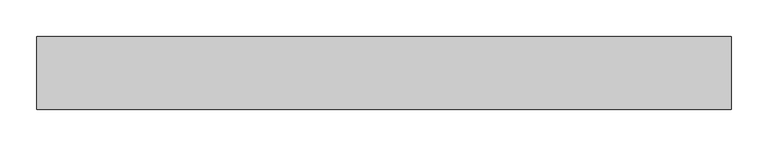
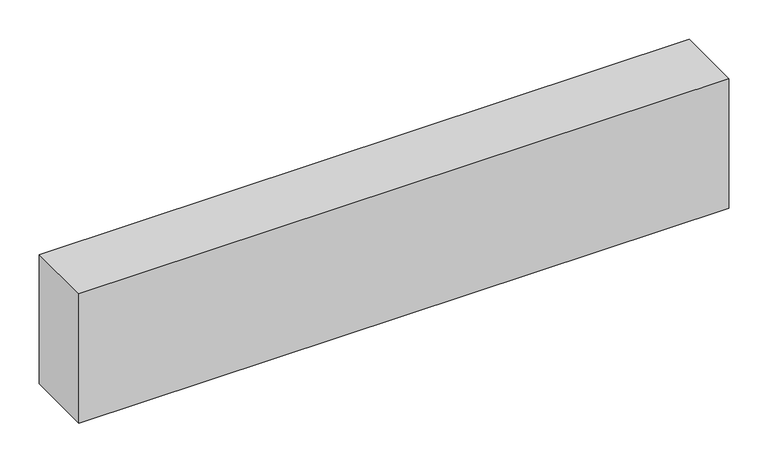
"""IFC4 building model written with IfcOpenShell, lengths in millimetres: plate geometry."""

import ifcopenshell
import ifcopenshell.guid

model = None  # the IFC model being written
_history = None  # IfcOwnerHistory: only IFC2X3 demands one
_inside = {}  # id of a spatial element -> (the spatial element, [elements in it])
_under = {}  # id of a project, library or spatial element -> (it, [spatial elements below it])
_declared = {}  # id of a project -> (the project, [libraries it declares])
_typed = {}  # id of a type object -> (the type object, [elements of that type])
_made_of = {}  # id of a material, layer set ... -> (it, [elements and type objects made of it])


def new_model(schema):
    """Start an empty IFC model of exactly this schema.

    Asked for "IFC4X3", IfcOpenShell would pick the latest addendum, in which some entities
    have other attributes; the version numbers below select the first issue.
    IFC2X3 requires an IfcOwnerHistory on every rooted entity: one is made here for all.
    """
    global model, _history
    if schema == "IFC4X3":
        model = ifcopenshell.file(schema_version=(4, 3, 0, 0))
    else:
        model = ifcopenshell.file(schema=schema)
    _inside.clear()
    _under.clear()
    _declared.clear()
    _typed.clear()
    _made_of.clear()
    _history = None
    if model.schema == "IFC2X3":
        org = make("IfcOrganization", Name="unknown")
        user = make(
            "IfcPersonAndOrganization",
            ThePerson=make("IfcPerson", FamilyName="unknown"),
            TheOrganization=org,
        )
        app = make(
            "IfcApplication",
            ApplicationDeveloper=org,
            Version="unknown",
            ApplicationFullName="unknown",
            ApplicationIdentifier="unknown",
        )
        _history = make(
            "IfcOwnerHistory",
            OwningUser=user,
            OwningApplication=app,
            ChangeAction="ADDED",
            CreationDate=0,
        )
    return model


def make(cls, **values):
    """One entity of the class cls with the attributes given. An attribute that is None is left unset."""
    return model.create_entity(
        cls, **{name: value for name, value in values.items() if value is not None}
    )


def rooted(cls, **values):
    """An entity with a GlobalId (a new one), such as an element, a storey or a relation."""
    return make(cls, GlobalId=ifcopenshell.guid.new(), OwnerHistory=_history, **values)


def si_unit(unit_type, name, prefix=None):
    """IfcSIUnit, for example si_unit("LENGTHUNIT", "METRE", prefix="MILLI")."""
    return make("IfcSIUnit", UnitType=unit_type, Prefix=prefix, Name=name)


def assignment(units):
    """IfcUnitAssignment: the units of a project."""
    return None if units is None else make("IfcUnitAssignment", Units=units)


def point(xyz):
    """IfcCartesianPoint."""
    return None if xyz is None else make("IfcCartesianPoint", Coordinates=xyz)


def direction(xyz):
    """IfcDirection."""
    return None if xyz is None else make("IfcDirection", DirectionRatios=xyz)


def frame(location, z_axis=None, x_axis=None):
    """IfcAxis2Placement3D, a coordinate frame: its origin and axes. An axis left out is left unset."""
    return make(
        "IfcAxis2Placement3D",
        Location=point(location),
        Axis=direction(z_axis),
        RefDirection=direction(x_axis),
    )


def origin():
    """The frame at (0, 0, 0) with its axes left unset."""
    return frame((0.0, 0.0, 0.0))


def origin_with_axes():
    """The frame at (0, 0, 0) with the z axis (0, 0, 1) and the x axis (1, 0, 0) written out."""
    return frame((0.0, 0.0, 0.0), z_axis=(0.0, 0.0, 1.0), x_axis=(1.0, 0.0, 0.0))


def place(relative_to, where):
    """IfcLocalPlacement: puts the frame where relative to a parent placement (None: the world)."""
    return make(
        "IfcLocalPlacement", PlacementRelTo=relative_to, RelativePlacement=where
    )


def context(
    kind, dimensions, precision=None, world=None, true_north=None, identifier=None
):
    """IfcGeometricRepresentationContext, for example the 3D "Model" context."""
    return make(
        "IfcGeometricRepresentationContext",
        ContextIdentifier=identifier,
        ContextType=kind,
        CoordinateSpaceDimension=dimensions,
        Precision=precision,
        WorldCoordinateSystem=world,
        TrueNorth=true_north,
    )


def project(units=None, contexts=None):
    """IfcProject with its units and contexts."""
    return rooted(
        "IfcProject",
        Name="project",
        RepresentationContexts=contexts,
        UnitsInContext=assignment(units),
    )


def spatial(cls, under=None, at=None, **own):
    """A site, building, storey or space (cls), placed at a placement, below another one or the project."""
    s = rooted(cls, ObjectPlacement=at, **own)
    if under is not None:
        _under.setdefault(under.id(), (under, []))[1].append(s)
    return s


def polyline(points):
    """IfcPolyline through the points."""
    return make("IfcPolyline", Points=[point(p) for p in points])


def outline(outer, holes=None, kind="AREA"):
    """IfcArbitraryClosedProfileDef: a profile drawn as a closed curve; with holes, ...WithVoids."""
    if holes is None:
        return make("IfcArbitraryClosedProfileDef", ProfileType=kind, OuterCurve=outer)
    return make(
        "IfcArbitraryProfileDefWithVoids",
        ProfileType=kind,
        OuterCurve=outer,
        InnerCurves=holes,
    )


def extrude(swept, where, along, depth):
    """IfcExtrudedAreaSolid: the profile swept, set in the frame where, extruded along a direction by depth."""
    return make(
        "IfcExtrudedAreaSolid",
        SweptArea=swept,
        Position=where,
        ExtrudedDirection=direction(along),
        Depth=depth,
    )


def shape(context_of_items, identifier, shape_type, items):
    """IfcShapeRepresentation: the items that make up one representation, for example the "Body"."""
    return make(
        "IfcShapeRepresentation",
        ContextOfItems=context_of_items,
        RepresentationIdentifier=identifier,
        RepresentationType=shape_type,
        Items=items,
    )


def source(mapping_origin, context_of_items, identifier, shape_type, items):
    """IfcRepresentationMap: a shape defined once, which mapped items show again and again."""
    return make(
        "IfcRepresentationMap",
        MappingOrigin=mapping_origin,
        MappedRepresentation=shape(context_of_items, identifier, shape_type, items),
    )


def transform(
    local_origin,
    x_axis=None,
    y_axis=None,
    z_axis=None,
    scale=None,
    scale2=None,
    scale3=None,
    uniform=True,
):
    """IfcCartesianTransformationOperator3D, or its non-uniform kind. x_axis, y_axis, z_axis: its Axis1, 2, 3."""
    if uniform:
        return make(
            "IfcCartesianTransformationOperator3D",
            Axis1=direction(x_axis),
            Axis2=direction(y_axis),
            LocalOrigin=point(local_origin),
            Scale=scale,
            Axis3=direction(z_axis),
        )
    return make(
        "IfcCartesianTransformationOperator3DnonUniform",
        Axis1=direction(x_axis),
        Axis2=direction(y_axis),
        LocalOrigin=point(local_origin),
        Scale=scale,
        Axis3=direction(z_axis),
        Scale2=scale2,
        Scale3=scale3,
    )


def mapped(mapping_source, mapping_target):
    """IfcMappedItem: shows the shape of a source again, moved by a transform."""
    return make(
        "IfcMappedItem", MappingSource=mapping_source, MappingTarget=mapping_target
    )


def made_of(thing, what):
    """Note that an element or type object is made of a material, layer set ...; save() writes the relation."""
    if what is not None:
        _made_of.setdefault(what.id(), (what, []))[1].append(thing)
    return thing


def element(
    cls,
    number,
    at=None,
    inside=None,
    cuts=None,
    type_object=None,
    material=None,
    context=None,
    identifier="Body",
    shape_type=None,
    held_by="IfcProductDefinitionShape",
    body=None,
    shapes=None,
    **own,
):
    """One element of the class cls, such as IfcWall. Its Tag is "e" and its number.

    at: its placement. inside: the storey or other place that contains it. cuts: it is an
    opening in that element (IfcRelVoidsElement). A single representation is given by context,
    identifier, shape_type and body (its items); several are given by shapes. held_by: the class
    of the entity that holds the representations. save() writes the other relations.
    """
    e = rooted(cls, Tag="e%d" % number, ObjectPlacement=at, **own)
    if body is not None:
        shapes = [shape(context, identifier, shape_type, body)]
    if shapes is not None:
        e.Representation = make(held_by, Representations=shapes)
    if inside is not None:
        _inside.setdefault(inside.id(), (inside, []))[1].append(e)
    if cuts is not None:
        rooted(
            "IfcRelVoidsElement", RelatingBuildingElement=cuts, RelatedOpeningElement=e
        )
    if type_object is not None:
        _typed.setdefault(type_object.id(), (type_object, []))[1].append(e)
    return made_of(e, material)


def aggregate(whole, parts):
    """IfcRelAggregates: a whole, such as a stair, and the parts it consists of."""
    return rooted("IfcRelAggregates", RelatingObject=whole, RelatedObjects=parts)


def save(model, path):
    """Write the relations noted so far, then the file.

    IfcRelAggregates (storeys below a building ...), IfcRelContainedInSpatialStructure (elements
    in a storey), IfcRelDefinesByType, IfcRelAssociatesMaterial and IfcRelDeclares: one each for
    every whole, place, type object, material and project.
    """
    for whole, parts in _under.values():
        aggregate(whole, parts)
    for where, things in _inside.values():
        rooted(
            "IfcRelContainedInSpatialStructure",
            RelatedElements=things,
            RelatingStructure=where,
        )
    for kind, things in _typed.values():
        rooted("IfcRelDefinesByType", RelatedObjects=things, RelatingType=kind)
    for what, things in _made_of.values():
        rooted("IfcRelAssociatesMaterial", RelatedObjects=things, RelatingMaterial=what)
    for by, libraries in _declared.values():
        rooted("IfcRelDeclares", RelatingContext=by, RelatedDefinitions=libraries)
    model.write(path)


def plate_17286c0e(model_context):
    return source(origin(), model_context, "Body", "SweptSolid", [
        extrude(outline(polyline([(475.0, -50.0), (-475.0, -50.0), (-475.0, 50.0), (475.0, 50.0), (475.0, -50.0)])), origin_with_axes(), (0.0, 0.0, 1.0), 200.0),
    ])


if __name__ == "__main__":
    model = new_model("IFC4")
    model_context = context("Model", 3, world=origin())
    ifc_project = project(units=[si_unit("LENGTHUNIT", "METRE", prefix="MILLI")], contexts=[model_context])
    site = spatial("IfcSite", under=ifc_project)
    building = spatial("IfcBuilding", under=site)
    placement = place(None, origin())
    plate_shape = plate_17286c0e(model_context)
    element("IfcPlate", 1, at=placement, inside=building, context=model_context, shape_type="MappedRepresentation", body=[
        mapped(plate_shape, transform((0.0, 0.0, 0.0), x_axis=(1.0, 0.0, 0.0), y_axis=(0.0, 1.0, 0.0), z_axis=(0.0, 0.0, 1.0))),
    ])
    save(model, "model.ifc")
